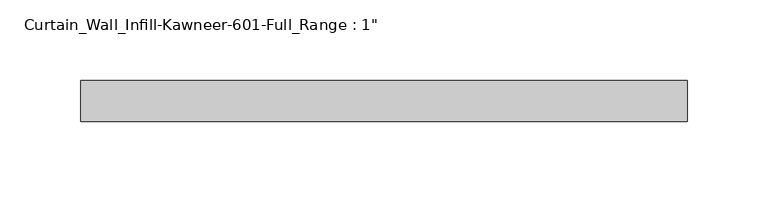
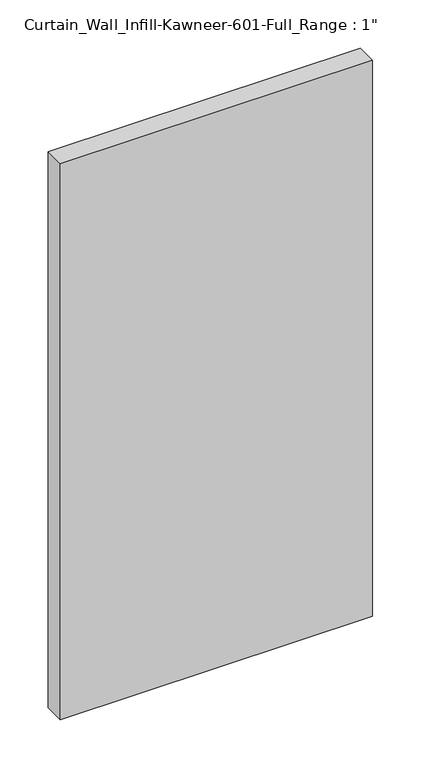
"""IFC4 building model written with IfcOpenShell, lengths in millimetres: plate geometry."""

from ifc_helpers import new_model, si_unit, origin, origin_with_axes, place, context, project, spatial, polyline, outline, extrude, source, transform, mapped, element, save


def plate_caf711c9(model_context):
    return source(origin(), model_context, "Body", "SweptSolid", [
        extrude(outline(polyline([(-187.325, -12.7), (-187.325, 12.7), (187.325, 12.7), (187.325, -12.7), (-187.325, -12.7)])), origin_with_axes(), (0.0, 0.0, 1.0), 704.85),
    ])


if __name__ == "__main__":
    model = new_model("IFC4")
    model_context = context("Model", 3, world=origin())
    ifc_project = project(units=[si_unit("LENGTHUNIT", "METRE", prefix="MILLI")], contexts=[model_context])
    site = spatial("IfcSite", under=ifc_project)
    building = spatial("IfcBuilding", under=site)
    placement = place(None, origin())
    plate_shape = plate_caf711c9(model_context)
    element("IfcPlate", 1, ObjectType="Curtain_Wall_Infill-Kawneer-601-Full_Range : 1\"", at=placement, inside=building, context=model_context, shape_type="MappedRepresentation", body=[
        mapped(plate_shape, transform((0.0, 0.0, 0.0), x_axis=(1.0, 0.0, 0.0), y_axis=(0.0, 1.0, 0.0), z_axis=(0.0, 0.0, 1.0))),
    ])
    save(model, "model.ifc")
